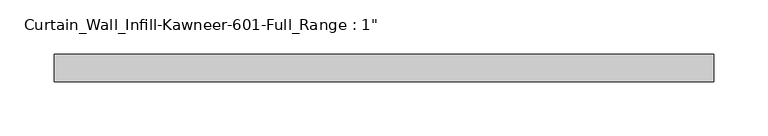
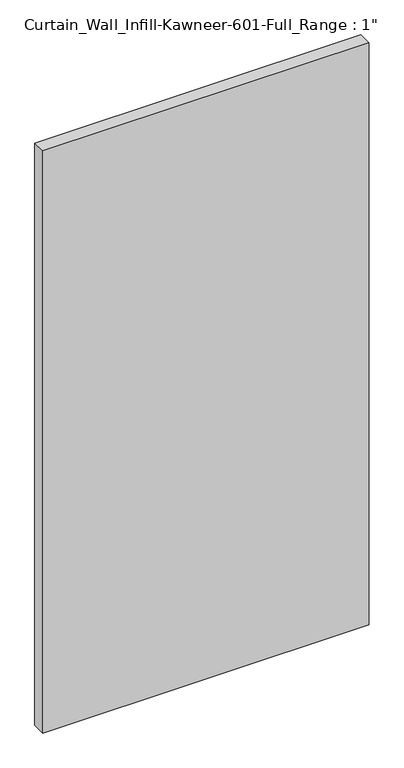
"""IFC4 building model written with IfcOpenShell, lengths in millimetres: plate geometry."""

from ifc_helpers import new_model, si_unit, origin, origin_with_axes, place, context, project, spatial, polyline, outline, extrude, source, transform, mapped, element, save


def plate_f2e42c10(model_context):
    return source(origin(), model_context, "Body", "SweptSolid", [
        extrude(outline(polyline([(-304.8, 12.7), (304.8, 12.7), (304.8, -12.7), (-304.8, -12.7), (-304.8, 12.7)])), origin_with_axes(), (0.0, 0.0, 1.0), 1149.35),
    ])


if __name__ == "__main__":
    model = new_model("IFC4")
    model_context = context("Model", 3, world=origin())
    ifc_project = project(units=[si_unit("LENGTHUNIT", "METRE", prefix="MILLI")], contexts=[model_context])
    site = spatial("IfcSite", under=ifc_project)
    building = spatial("IfcBuilding", under=site)
    placement = place(None, origin())
    plate_shape = plate_f2e42c10(model_context)
    element("IfcPlate", 1, ObjectType="Curtain_Wall_Infill-Kawneer-601-Full_Range : 1\"", at=placement, inside=building, context=model_context, shape_type="MappedRepresentation", body=[
        mapped(plate_shape, transform((0.0, 0.0, 0.0), x_axis=(1.0, 0.0, 0.0), y_axis=(0.0, 1.0, 0.0), z_axis=(0.0, 0.0, 1.0))),
    ])
    save(model, "model.ifc")
